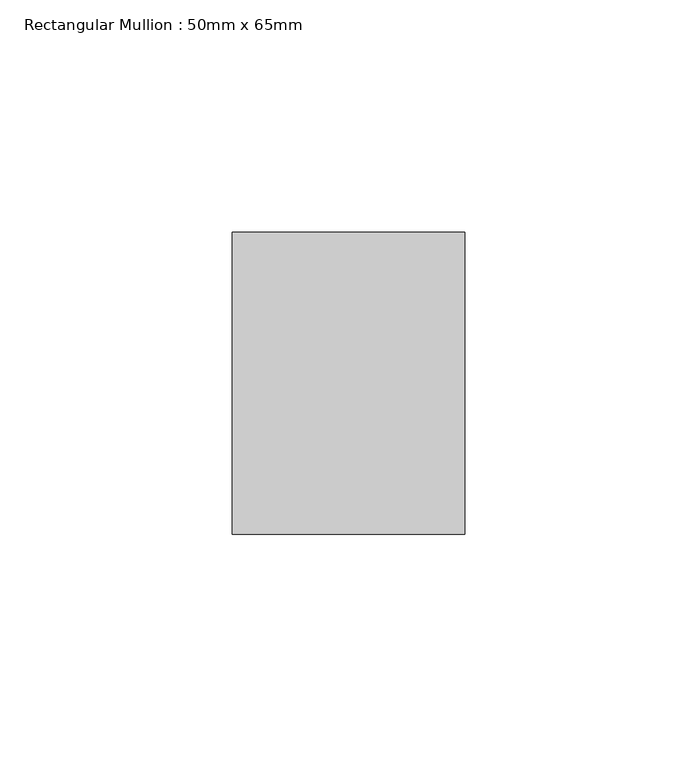
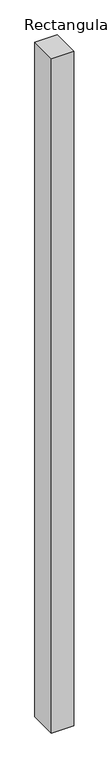
"""IFC4 building model written with IfcOpenShell, lengths in millimetres: member geometry, Rectangular Mullion : 50mm x 65mm."""

from ifc_helpers import new_model, si_unit, frame, origin, place, context, project, spatial, polyline, outline, extrude, source, transform, mapped, element, save


def rectangular_mullion_50mm_x_65mm_5524d7a9(model_context):
    return source(origin(), model_context, "Body", "SweptSolid", [
        extrude(outline(polyline([(25.0, 32.5), (25.0, -32.5), (-25.0, -32.5), (-25.0, 32.5), (25.0, 32.5)])), frame((0.0, 0.0, -1612.9647894), z_axis=(0.0, 0.0, 1.0), x_axis=(1.0, 0.0, 0.0)), (0.0, 0.0, 1.0), 1612.9647894),
    ])


if __name__ == "__main__":
    model = new_model("IFC4")
    model_context = context("Model", 3, world=origin())
    ifc_project = project(units=[si_unit("LENGTHUNIT", "METRE", prefix="MILLI")], contexts=[model_context])
    site = spatial("IfcSite", under=ifc_project)
    building = spatial("IfcBuilding", under=site)
    placement = place(None, origin())
    rectangular_mullion_50mm_x_65mm_shape = rectangular_mullion_50mm_x_65mm_5524d7a9(model_context)
    element("IfcMember", 1, ObjectType="Rectangular Mullion : 50mm x 65mm", at=placement, inside=building, context=model_context, shape_type="MappedRepresentation", body=[
        mapped(rectangular_mullion_50mm_x_65mm_shape, transform((0.0, 0.0, 0.0), x_axis=(1.0, 0.0, 0.0), y_axis=(0.0, 1.0, 0.0), z_axis=(0.0, 0.0, 1.0))),
    ])
    save(model, "model.ifc")
